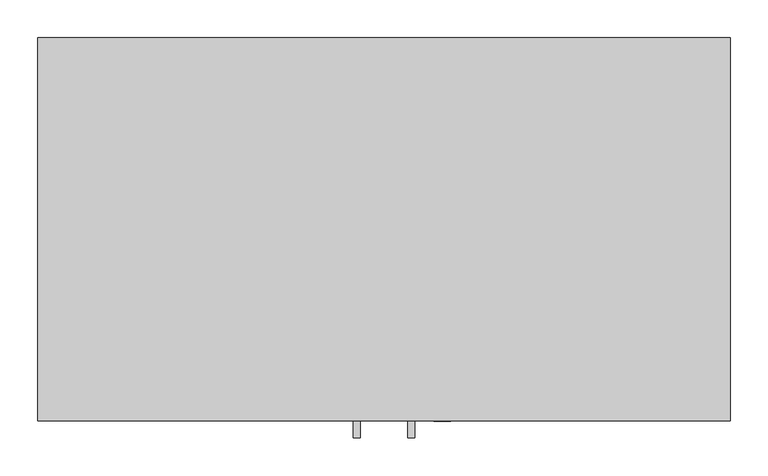
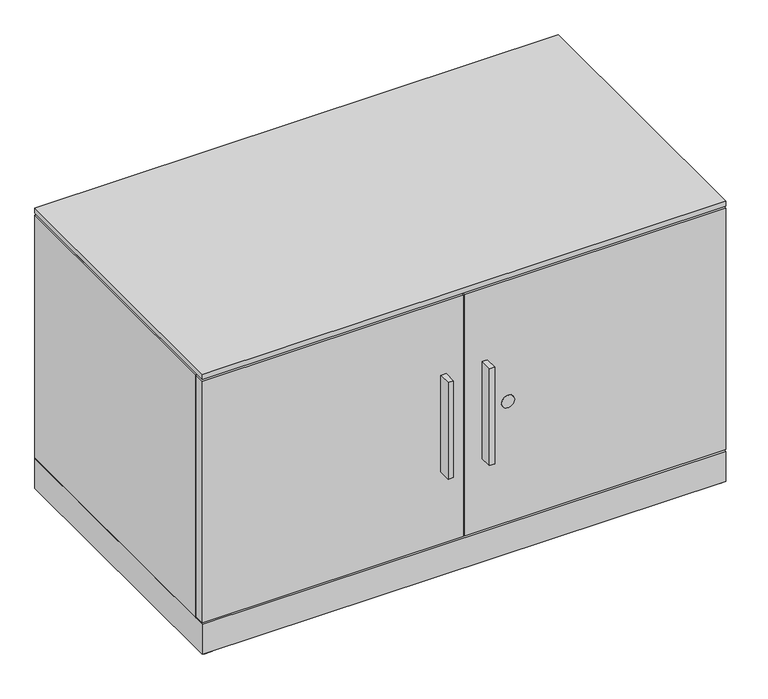
"""IFC4 building model written with IfcOpenShell, lengths in millimetres: furniture geometry."""

from ifc_helpers import new_model, si_unit, point, frame, frame_2d, origin, origin_with_axes, place, context, project, spatial, polyline, circle_curve, trimmed, segment, composite_curve, outline, extrude, faceted_brep, source, transform, mapped, element, save


def furniture_3ae7206e(model_context):
    return source(origin(), model_context, "Body", "SolidModel", [
        extrude(outline(polyline([(416.4965, -528.574), (416.4965, -506.349), (426.0215, -506.349), (426.0215, -528.574), (416.4965, -528.574)])), frame((0.0, 0.0, 194.4369939), z_axis=(0.0, 0.0, 1.0), x_axis=(1.0, 0.0, 0.0)), (0.0, 0.0, 1.0), 177.8),
        extrude(outline(polyline([(497.9035, -528.574), (488.3785, -528.574), (488.3785, -506.349), (497.9035, -506.349), (497.9035, -528.574)])), frame((0.0, 0.0, 194.4369939), z_axis=(0.0, 0.0, 1.0), x_axis=(1.0, 0.0, 0.0)), (0.0, 0.0, 1.0), 177.8),
        extrude(outline(composite_curve([segment(trimmed(circle_curve(frame_2d((283.3497, 533.781)), 11.18616), [point((283.3497, 522.59484))], [point((283.3497, 544.96716))], False, "CARTESIAN"), True, "CONTINUOUS"), segment(trimmed(circle_curve(frame_2d((283.3497, 533.781)), 11.18616), [point((283.3497, 544.96716))], [point((283.3497, 522.59484))], False, "CARTESIAN"), True, "CONTINUOUS")], self_intersect=False)), frame((0.0, -506.603, 0.0), z_axis=(0.0, 1.0, 0.0), x_axis=(0.0, 0.0, 1.0)), (0.0, 0.0, 1.0), 3.429),
        extrude(outline(polyline([(455.6125, -506.349), (1.5875, -506.349), (1.5875, -487.045), (455.6125, -487.045), (455.6125, -506.349)])), frame((0.0, 0.0, 61.9252), z_axis=(0.0, 0.0, 1.0), x_axis=(1.0, 0.0, 0.0)), (0.0, 0.0, 1.0), 444.5),
        extrude(outline(polyline([(912.8125, -506.349), (458.7875, -506.349), (458.7875, -487.045), (912.8125, -487.045), (912.8125, -506.349)])), frame((0.0, 0.0, 61.9252), z_axis=(0.0, 0.0, 1.0), x_axis=(1.0, 0.0, 0.0)), (0.0, 0.0, 1.0), 444.5),
        extrude(outline(polyline([(912.114, -487.045), (3.8735, -487.045), (3.8735, -2.3114), (912.114, -2.3114), (912.114, -487.045)])), frame((0.0, 0.0, 506.4252), z_axis=(0.0, 0.0, 1.0), x_axis=(1.0, 0.0, 0.0)), (0.0, 0.0, 1.0), 1.905),
        extrude(outline(polyline([(21.2979, -5.715), (21.2979, -52.197), (6.5659, -52.197), (6.5659, -5.715), (21.2979, -5.715)])), origin_with_axes(), (0.0, 0.0, 1.0), 17.399),
        extrude(outline(polyline([(907.8341, -5.715), (907.8341, -52.197), (893.1021, -52.197), (893.1021, -5.715), (907.8341, -5.715)])), origin_with_axes(), (0.0, 0.0, 1.0), 17.399),
        extrude(outline(polyline([(907.8341, -456.057), (907.8341, -502.539), (893.1021, -502.539), (893.1021, -456.057), (907.8341, -456.057)])), origin_with_axes(), (0.0, 0.0, 1.0), 17.399),
        extrude(outline(polyline([(21.2979, -456.057), (21.2979, -502.539), (6.5659, -502.539), (6.5659, -456.057), (21.2979, -456.057)])), origin_with_axes(), (0.0, 0.0, 1.0), 17.399),
        extrude(outline(polyline([(46.1772, -27.7114), (61.8363, -36.7521856), (61.8363, -54.8337568), (46.1772, -63.8745424), (30.5181, -54.8337568), (30.5181, -36.7521856), (46.1772, -27.7114)])), origin_with_axes(), (0.0, 0.0, 1.0), 8.4328),
        extrude(outline(polyline([(46.1772, -480.1616), (30.5181, -471.1208144), (30.5181, -453.0392432), (46.1772, -443.9984576), (61.8363, -453.0392432), (61.8363, -471.1208144), (46.1772, -480.1616)])), origin_with_axes(), (0.0, 0.0, 1.0), 8.4328),
        extrude(outline(polyline([(868.2228, -27.7114), (883.8819, -36.7521856), (883.8819, -54.8337568), (868.2228, -63.8745424), (852.5637, -54.8337568), (852.5637, -36.7521856), (868.2228, -27.7114)])), origin_with_axes(), (0.0, 0.0, 1.0), 8.4328),
        extrude(outline(polyline([(868.2228, -480.1616), (852.5637, -471.1208144), (852.5637, -453.0392432), (868.2228, -443.9984576), (883.8819, -453.0392432), (883.8819, -471.1208144), (868.2228, -480.1616)])), origin_with_axes(), (0.0, 0.0, 1.0), 8.4328),
        extrude(outline(polyline([(912.8125, -506.349), (1.5875, -506.349), (1.5875, -1.524), (912.8125, -1.524), (912.8125, -506.349)])), frame((0.0, 0.0, 509.9304), z_axis=(0.0, 0.0, 1.0), x_axis=(1.0, 0.0, 0.0)), (0.0, 0.0, 1.0), 9.525),
        extrude(outline(polyline([(912.8125, -1.524), (912.8125, -506.349), (1.5875, -506.349), (1.5875, -1.524), (912.8125, -1.524)])), frame((0.0, 0.0, 3.5814), z_axis=(0.0, 0.0, 1.0), x_axis=(1.0, 0.0, 0.0)), (0.0, 0.0, 1.0), 55.1688),
        faceted_brep([(912.8125, -1.524, 506.4252), (912.8125, -1.524, 58.7502), (1.5875, -1.524, 58.7502), (1.5875, -1.524, 506.4252), (1.5875, -487.045, 506.4252), (912.8125, -487.045, 506.4252), (1.5875, -487.045, 58.7502), (912.8125, -487.045, 58.7502), (890.5875, -23.749, 488.95), (23.8125, -23.749, 488.95), (23.8125, -23.749, 79.4004), (890.5875, -23.749, 79.4004), (890.5875, -487.045, 488.95), (23.8125, -487.045, 488.95), (23.8125, -487.045, 79.4004), (890.5875, -487.045, 79.4004)], [[[0, 1, 2, 3]], [[0, 3, 4, 5]], [[3, 2, 6, 4]], [[2, 1, 7, 6]], [[1, 0, 5, 7]], [[8, 9, 10, 11]], [[9, 8, 12, 13]], [[10, 9, 13, 14]], [[11, 10, 14, 15]], [[8, 11, 15, 12]], [[5, 4, 6, 7], [13, 12, 15, 14]]]),
    ])


if __name__ == "__main__":
    model = new_model("IFC4")
    model_context = context("Model", 3, world=origin())
    ifc_project = project(units=[si_unit("LENGTHUNIT", "METRE", prefix="MILLI")], contexts=[model_context])
    site = spatial("IfcSite", under=ifc_project)
    building = spatial("IfcBuilding", under=site)
    placement = place(None, origin())
    furniture_shape = furniture_3ae7206e(model_context)
    element("IfcFurniture", 1, at=placement, inside=building, context=model_context, shape_type="MappedRepresentation", body=[
        mapped(furniture_shape, transform((0.0, 0.0, 0.0), x_axis=(1.0, 0.0, 0.0), y_axis=(0.0, 1.0, 0.0), z_axis=(0.0, 0.0, 1.0))),
    ])
    save(model, "model.ifc")
